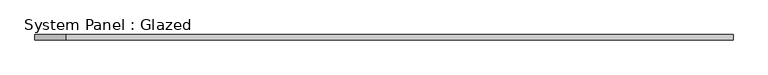
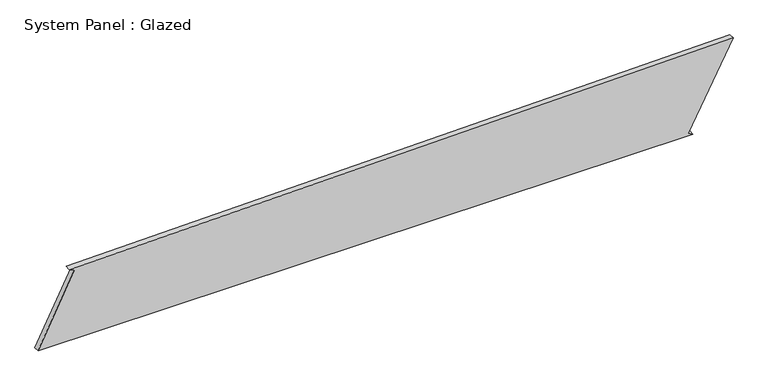
"""IFC4 building model written with IfcOpenShell, lengths in millimetres: plate geometry, System Panel : Glazed."""

from ifc_helpers import new_model, si_unit, frame, origin, place, context, project, spatial, polyline, outline, extrude, source, transform, mapped, element, save


def system_panel_glazed_c910f888(model_context):
    return source(origin(), model_context, "Body", "SweptSolid", [
        extrude(outline(polyline([(0.0, -1615.0686269), (0.0, 1427.7227579), (11.7212942, 1405.6408363), (406.2654432, 1615.0686269), (348.3454807, -1469.0867884), (337.1778821, -1446.7197425), (0.0, -1615.0686269)])), frame((0.0, -49.5, 0.0), z_axis=(0.0, 1.0, 0.0), x_axis=(0.0, 0.0, 1.0)), (0.0, 0.0, 1.0), 25.0),
    ])


if __name__ == "__main__":
    model = new_model("IFC4")
    model_context = context("Model", 3, world=origin())
    ifc_project = project(units=[si_unit("LENGTHUNIT", "METRE", prefix="MILLI")], contexts=[model_context])
    site = spatial("IfcSite", under=ifc_project)
    building = spatial("IfcBuilding", under=site)
    placement = place(None, origin())
    system_panel_glazed_shape = system_panel_glazed_c910f888(model_context)
    element("IfcPlate", 1, ObjectType="System Panel : Glazed", at=placement, inside=building, context=model_context, shape_type="MappedRepresentation", body=[
        mapped(system_panel_glazed_shape, transform((0.0, 0.0, 0.0), x_axis=(1.0, 0.0, 0.0), y_axis=(0.0, 1.0, 0.0), z_axis=(0.0, 0.0, 1.0))),
    ])
    save(model, "model.ifc")
